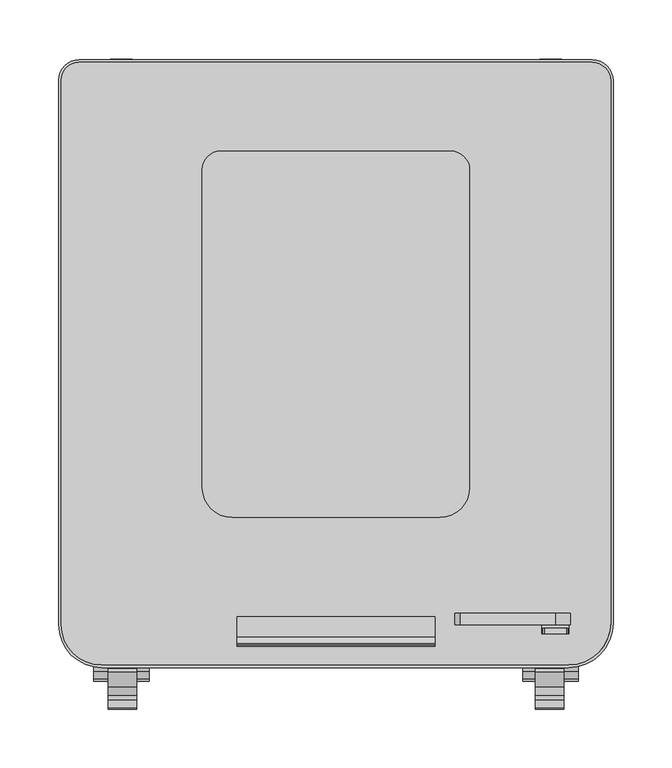
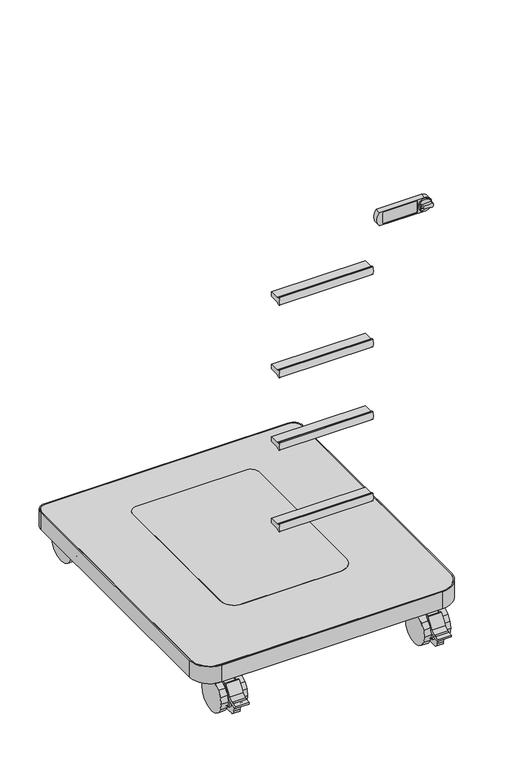
"""IFC4 building model written with IfcOpenShell, lengths in millimetres: furniture geometry."""

from ifc_helpers import new_model, si_unit, point, frame, frame_2d, origin, place, context, project, spatial, polyline, circle_curve, trimmed, segment, composite_curve, outline, extrude, source, transform, mapped, element, save
from ifc_brep_helpers import plane_surface, cylinder_surface, revolved_surface, advanced_brep


def furniture_34bcdf09(model_context):
    return source(origin(), model_context, "Body", "SolidModel", [
        advanced_brep(
        [(174.9456059, -254.5969037, 811.7000103), (175.3338382, -254.5969037, 808.7463234), (177.0907575, -254.5969037, 807.8330439), (196.2238044, -254.5969037, 807.8028949), (197.4173736, -254.5969037, 808.7463234), (197.8056059, -254.5969037, 811.7000103), (197.4173736, -254.5969037, 814.6536973), (196.2238044, -254.5969037, 815.5971258), (177.0907575, -254.5969037, 815.5669768), (175.3338382, -254.5969037, 814.6536973), (176.9629665, -254.5969037, 812.4620103), (180.2535281, -254.5969037, 812.4620103), (180.2535281, -254.5969037, 810.9380103), (176.9629665, -254.5969037, 810.9380103), (174.9456059, -246.9769037, 811.7000103), (197.8056059, -246.9769037, 811.7000103), (197.4173736, -249.149344, 808.7463234), (175.3338382, -249.149344, 808.7463234), (175.3338382, -249.149344, 814.6536973), (197.4173736, -249.149344, 814.6536973), (196.2238044, -249.149344, 815.5971258), (177.0907575, -249.149344, 815.5669768), (196.2238044, -249.149344, 807.8028949), (177.0907575, -249.149344, 807.8330439), (180.2535281, -253.3727737, 812.4620103), (176.9629665, -253.3727737, 812.4620103), (176.9629665, -253.3727737, 810.9380103), (180.2535281, -253.3727737, 810.9380103)],
        [
            (0, 1, circle_curve(frame((186.3756059, -254.5969037, 811.7000103), z_axis=(0.0, -1.0, 0.0), x_axis=(1.0, 0.0, 0.0)), 11.43)),
            (1, 2, circle_curve(frame((176.7304878, -254.5969037, 809.2865503), z_axis=(0.0, -1.0, 0.0), x_axis=(1.0, 0.0, 0.0)), 1.4974896)),
            (2, 3, circle_curve(frame((186.5968707, -254.5969037, 769.480668), z_axis=(0.0, 1.0, 0.0), x_axis=(1.0, 0.0, 0.0)), 39.512921)),
            (3, 4, circle_curve(frame((196.020724, -254.5969037, 809.2865503), z_axis=(0.0, -1.0, 0.0), x_axis=(1.0, 0.0, 0.0)), 1.4974896)),
            (4, 5, circle_curve(frame((186.3756059, -254.5969037, 811.7000103), z_axis=(0.0, -1.0, 0.0), x_axis=(1.0, 0.0, 0.0)), 11.43)),
            (5, 6, circle_curve(frame((186.3756059, -254.5969037, 811.7000103), z_axis=(0.0, -1.0, 0.0), x_axis=(1.0, 0.0, 0.0)), 11.43)),
            (6, 7, circle_curve(frame((196.020724, -254.5969037, 814.1134703), z_axis=(0.0, -1.0, 0.0), x_axis=(1.0, 0.0, 0.0)), 1.4974896)),
            (7, 8, circle_curve(frame((186.5968707, -254.5969037, 853.9193527), z_axis=(0.0, 1.0, 0.0), x_axis=(1.0, 0.0, 0.0)), 39.512921)),
            (8, 9, circle_curve(frame((176.7304878, -254.5969037, 814.1134703), z_axis=(0.0, -1.0, 0.0), x_axis=(1.0, 0.0, 0.0)), 1.4974896)),
            (9, 0, circle_curve(frame((186.3756059, -254.5969037, 811.7000103), z_axis=(0.0, -1.0, 0.0), x_axis=(1.0, 0.0, 0.0)), 11.43)),
            (10, 11),
            (11, 12, circle_curve(frame((180.2535281, -254.5969037, 811.7000103), z_axis=(0.0, 1.0, 0.0), x_axis=(-1.0, 0.0, 0.0)), 0.762)),
            (12, 13),
            (13, 10, circle_curve(frame((176.9629665, -254.5969037, 811.7000103), z_axis=(0.0, 1.0, 0.0), x_axis=(1.0, 0.0, 0.0)), 0.762)),
            (14, 15, circle_curve(frame((186.3756059, -246.9769037, 811.7000103), z_axis=(0.0, 1.0, 0.0), x_axis=(1.0, 0.0, 0.0)), 11.43)),
            (15, 14, circle_curve(frame((186.3756059, -246.9769037, 811.7000103), z_axis=(0.0, 1.0, 0.0), x_axis=(1.0, 0.0, 0.0)), 11.43)),
            (15, 5),
            (4, 16),
            (16, 17, circle_curve(frame((186.3756059, -249.149344, 811.7000103), z_axis=(0.0, 1.0, 0.0), x_axis=(1.0, 0.0, 0.0)), 11.43)),
            (17, 1),
            (0, 14),
            (9, 18),
            (18, 19, circle_curve(frame((186.3756059, -249.149344, 811.7000103), z_axis=(0.0, 1.0, 0.0), x_axis=(1.0, 0.0, 0.0)), 11.43)),
            (19, 6),
            (20, 19, circle_curve(frame((196.020724, -249.149344, 814.1134703), z_axis=(0.0, 1.0, 0.0), x_axis=(1.0, 0.0, 0.0)), 1.4974896)),
            (18, 21, circle_curve(frame((176.7304878, -249.149344, 814.1134703), z_axis=(0.0, 1.0, 0.0), x_axis=(1.0, 0.0, 0.0)), 1.4974896)),
            (21, 20, circle_curve(frame((186.5968707, -249.149344, 853.9193527), z_axis=(0.0, -1.0, 0.0), x_axis=(1.0, 0.0, 0.0)), 39.512921)),
            (22, 23, circle_curve(frame((186.5968707, -249.149344, 769.480668), z_axis=(0.0, -1.0, 0.0), x_axis=(1.0, 0.0, 0.0)), 39.512921)),
            (23, 17, circle_curve(frame((176.7304878, -249.149344, 809.2865503), z_axis=(0.0, 1.0, 0.0), x_axis=(1.0, 0.0, 0.0)), 1.4974896)),
            (16, 22, circle_curve(frame((196.020724, -249.149344, 809.2865503), z_axis=(0.0, 1.0, 0.0), x_axis=(1.0, 0.0, 0.0)), 1.4974896)),
            (20, 7),
            (8, 21),
            (22, 3),
            (2, 23),
            (24, 25),
            (25, 26, circle_curve(frame((176.9629665, -253.3727737, 811.7000103), z_axis=(0.0, -1.0, 0.0), x_axis=(1.0, 0.0, 0.0)), 0.762)),
            (26, 27),
            (27, 24, circle_curve(frame((180.2535281, -253.3727737, 811.7000103), z_axis=(0.0, -1.0, 0.0), x_axis=(-1.0, 0.0, 0.0)), 0.762)),
            (24, 11),
            (10, 25),
            (13, 26),
            (12, 27),
        ],
        [
            plane_surface(frame((197.8056059, -254.5969037, 811.7000103), z_axis=(0.0, -1.0, 0.0), x_axis=(0.0, 0.0, 1.0))),
            plane_surface(frame((197.8056059, -246.9769037, 811.7000103), z_axis=(0.0, 1.0, 0.0), x_axis=(0.0, 0.0, -1.0))),
            cylinder_surface(frame((186.3756059, -246.9769037, 811.7000103), z_axis=(0.0, -1.0, 0.0), x_axis=(1.0, 0.0, 0.0)), 11.43),
            plane_surface(frame((197.5182136, -249.149344, 814.1134703), z_axis=(0.0, -1.0, 0.0), x_axis=(0.0, 0.0, 1.0))),
            cylinder_surface(frame((196.020724, -249.149344, 814.1134703), z_axis=(0.0, 1.0, 0.0), x_axis=(1.0, 0.0, 0.0)), 1.4974896),
            cylinder_surface(frame((176.7304878, -249.149344, 814.1134703), z_axis=(0.0, 1.0, 0.0), x_axis=(1.0, 0.0, 0.0)), 1.4974896),
            revolved_surface(polyline([(226.10979170000002, -254.5969037, 853.9193527), (226.10979170000002, -249.149344, 853.9193527)]), (186.5968707, -249.149344, 853.9193527), (0.0, -1.0, 0.0)),
            revolved_surface(polyline([(226.10979170000002, -254.5969037, 769.480668), (226.10979170000002, -249.149344, 769.480668)]), (186.5968707, -237.0709037, 769.480668), (0.0, -1.0, 0.0)),
            cylinder_surface(frame((176.7304878, -237.0709037, 809.2865503), z_axis=(0.0, 1.0, 0.0), x_axis=(1.0, 0.0, 0.0)), 1.4974896),
            cylinder_surface(frame((196.020724, -237.0709037, 809.2865503), z_axis=(0.0, 1.0, 0.0), x_axis=(1.0, 0.0, 0.0)), 1.4974896),
            plane_surface(frame((101.1693092, -253.3727737, 812.4620103), z_axis=(0.0, -1.0, 0.0), x_axis=(1.0, 0.0, 0.0))),
            plane_surface(frame((180.2535281, -254.5969037, 812.4620103), z_axis=(0.0, 0.0, -1.0), x_axis=(0.0, 1.0, 0.0))),
            revolved_surface(polyline([(177.7249665, -254.5969037, 811.7000103), (177.7249665, -253.3727737, 811.7000103)]), (176.9629665, -253.3727737, 811.7000103), (0.0, -1.0, 0.0)),
            plane_surface(frame((176.9629665, -254.5969037, 810.9380103), z_axis=(0.0, 0.0, 1.0), x_axis=(0.0, 1.0, 0.0))),
            revolved_surface(polyline([(179.4915281, -254.5969037, 811.7000103), (179.4915281, -253.3727737, 811.7000103)]), (180.2535281, -253.3727737, 811.7000103), (0.0, -1.0, 0.0)),
        ],
        [
            (0, [[1, 2, 3, 4, 5, 6, 7, 8, 9, 10], [11, 12, 13, 14]]),
            (1, [[15, 16]]),
            (2, [[-16, 17, -5, 18, 19, 20, -1, 21]]),
            (2, [[-15, -21, -10, 22, 23, 24, -6, -17]]),
            (3, [[25, -23, 26, 27]]),
            (3, [[28, 29, -19, 30]]),
            (4, [[-25, 31, -7, -24]]),
            (5, [[-26, -22, -9, 32]]),
            (6, [[-27, -32, -8, -31]]),
            (7, [[-28, 33, -3, 34]]),
            (8, [[-29, -34, -2, -20]]),
            (9, [[-30, -18, -4, -33]]),
            (10, [[35, 36, 37, 38]]),
            (11, [[-35, 39, -11, 40]]),
            (12, [[-36, -40, -14, 41]]),
            (13, [[-37, -41, -13, 42]]),
            (14, [[-38, -42, -12, -39]]),
        ],
    ),
        advanced_brep(
        [(105.8185825, -246.9769037, 824.4000103), (105.8185825, -246.9769037, 799.0000103), (186.5091543, -246.9769037, 799.0000103), (186.5091543, -246.9769037, 824.4000103), (171.2149809, -246.9769037, 800.2700103), (114.5994284, -246.9769037, 800.2700103), (112.0594284, -246.9769037, 802.8100103), (112.0594284, -246.9769037, 820.5900103), (114.5994284, -246.9769037, 823.1300103), (171.2149809, -246.9769037, 823.1300103), (173.7549809, -246.9769037, 820.5900103), (173.7549809, -246.9769037, 802.8100103), (105.8185825, -237.0709037, 824.4000103), (186.5091543, -237.0709037, 824.4000103), (186.5091543, -237.0709037, 799.0000103), (105.8185825, -237.0709037, 799.0000103), (112.0594284, -245.4701199, 802.8100103), (114.5994284, -245.4701199, 800.2700103), (171.2149809, -245.4701199, 800.2700103), (173.7549809, -245.4701199, 802.8100103), (173.7549809, -245.4701199, 820.5900103), (171.2149809, -245.4701199, 823.1300103), (114.5994284, -245.4701199, 823.1300103), (112.0594284, -245.4701199, 820.5900103)],
        [
            (0, 1, circle_curve(frame((120.8396674, -246.9769037, 811.7000103), z_axis=(0.0, -1.0, 0.0), x_axis=(1.0, 0.0, 0.0)), 19.6703582)),
            (1, 2),
            (2, 3, circle_curve(frame((186.5091543, -246.9769037, 811.7000103), z_axis=(0.0, -1.0, 0.0), x_axis=(1.0, 0.0, 0.0)), 12.7)),
            (3, 0),
            (4, 5),
            (5, 6, circle_curve(frame((114.5994284, -246.9769037, 802.8100103), z_axis=(0.0, 1.0, 0.0), x_axis=(1.0, 0.0, 0.0)), 2.54)),
            (6, 7),
            (7, 8, circle_curve(frame((114.5994284, -246.9769037, 820.5900103), z_axis=(0.0, 1.0, 0.0), x_axis=(1.0, 0.0, 0.0)), 2.54)),
            (8, 9),
            (9, 10, circle_curve(frame((171.2149809, -246.9769037, 820.5900103), z_axis=(0.0, 1.0, 0.0), x_axis=(1.0, 0.0, 0.0)), 2.54)),
            (10, 11),
            (11, 4, circle_curve(frame((171.2149809, -246.9769037, 802.8100103), z_axis=(0.0, 1.0, 0.0), x_axis=(1.0, 0.0, 0.0)), 2.54)),
            (12, 13),
            (13, 14, circle_curve(frame((186.5091543, -237.0709037, 811.7000103), z_axis=(0.0, 1.0, 0.0), x_axis=(1.0, 0.0, 0.0)), 12.7)),
            (14, 15),
            (15, 12, circle_curve(frame((120.8396674, -237.0709037, 811.7000103), z_axis=(0.0, 1.0, 0.0), x_axis=(1.0, 0.0, 0.0)), 19.6703582)),
            (1, 15),
            (14, 2),
            (3, 13),
            (12, 0),
            (16, 17, circle_curve(frame((114.5994284, -245.4701199, 802.8100103), z_axis=(0.0, -1.0, 0.0), x_axis=(1.0, 0.0, 0.0)), 2.54)),
            (17, 18),
            (18, 19, circle_curve(frame((171.2149809, -245.4701199, 802.8100103), z_axis=(0.0, -1.0, 0.0), x_axis=(1.0, 0.0, 0.0)), 2.54)),
            (19, 20),
            (20, 21, circle_curve(frame((171.2149809, -245.4701199, 820.5900103), z_axis=(0.0, -1.0, 0.0), x_axis=(1.0, 0.0, 0.0)), 2.54)),
            (21, 22),
            (22, 23, circle_curve(frame((114.5994284, -245.4701199, 820.5900103), z_axis=(0.0, -1.0, 0.0), x_axis=(1.0, 0.0, 0.0)), 2.54)),
            (23, 16),
            (17, 5),
            (4, 18),
            (19, 11),
            (10, 20),
            (21, 9),
            (8, 22),
            (23, 7),
            (6, 16),
        ],
        [
            plane_surface(frame((140.5100256, -246.9769037, 811.7000103), z_axis=(0.0, -1.0, 0.0), x_axis=(0.0, 0.0, 1.0))),
            plane_surface(frame((140.5100256, -237.0709037, 811.7000103), z_axis=(0.0, 1.0, 0.0), x_axis=(0.0, 0.0, -1.0))),
            plane_surface(frame((105.8185825, -246.9769037, 799.0000103), z_axis=(0.0, 0.0, -1.0), x_axis=(0.0, 1.0, 0.0))),
            plane_surface(frame((186.5091543, -246.9769037, 824.4000103), z_axis=(-2.7896816115999427e-12, 0.0, 1.0), x_axis=(0.0, 1.0, 0.0))),
            plane_surface(frame((117.1394284, -245.4701199, 802.8100103), z_axis=(0.0, -1.0, 0.0), x_axis=(0.0, 0.0, -1.0))),
            cylinder_surface(frame((186.5091543, -237.0709037, 811.7000103), z_axis=(0.0, -1.0, 0.0), x_axis=(1.0, 0.0, 0.0)), 12.7),
            plane_surface(frame((114.5994284, -253.3727737, 800.2700103), z_axis=(3.053095094007366e-12, 0.0, 1.0), x_axis=(0.0, 1.0, 0.0))),
            plane_surface(frame((173.7549809, -253.3727737, 802.8100103), z_axis=(-1.0, 0.0, 0.0), x_axis=(0.0, 1.0, 0.0))),
            plane_surface(frame((171.2149809, -253.3727737, 823.1300103), z_axis=(0.0, 0.0, -1.0), x_axis=(0.0, 1.0, 0.0))),
            plane_surface(frame((112.0594284, -253.3727737, 820.5900103), z_axis=(1.0, 0.0, 0.0), x_axis=(0.0, 1.0, 0.0))),
            revolved_surface(polyline([(117.1394284, -246.9769037, 802.8100103), (117.1394284, -245.4701199, 802.8100103)]), (114.5994284, -245.4701199, 802.8100103), (0.0, -1.0, 0.0)),
            revolved_surface(polyline([(173.7549809, -246.9769037, 802.8100103), (173.7549809, -245.4701199, 802.8100103)]), (171.2149809, -245.4701199, 802.8100103), (0.0, -1.0, 0.0)),
            revolved_surface(polyline([(173.7549809, -246.9769037, 820.5900103), (173.7549809, -245.4701199, 820.5900103)]), (171.2149809, -245.4701199, 820.5900103), (0.0, -1.0, 0.0)),
            revolved_surface(polyline([(117.1394284, -246.9769037, 820.5900103), (117.1394284, -245.4701199, 820.5900103)]), (114.5994284, -245.4701199, 820.5900103), (0.0, -1.0, 0.0)),
            cylinder_surface(frame((120.8396674, -237.0709037, 811.7000103), z_axis=(0.0, -1.0, 0.0), x_axis=(1.0, 0.0, 0.0)), 19.6703582),
        ],
        [
            (0, [[1, 2, 3, 4], [5, 6, 7, 8, 9, 10, 11, 12]]),
            (1, [[13, 14, 15, 16]]),
            (2, [[-2, 17, -15, 18]]),
            (3, [[-4, 19, -13, 20]]),
            (4, [[21, 22, 23, 24, 25, 26, 27, 28]]),
            (5, [[-3, -18, -14, -19]]),
            (6, [[-22, 29, -5, 30]]),
            (7, [[-24, 31, -11, 32]]),
            (8, [[-26, 33, -9, 34]]),
            (9, [[-28, 35, -7, 36]]),
            (10, [[-21, -36, -6, -29]]),
            (11, [[-23, -30, -12, -31]]),
            (12, [[-25, -32, -10, -33]]),
            (13, [[-27, -34, -8, -35]]),
            (14, [[-1, -20, -16, -17]]),
        ],
    ),
        extrude(outline(composite_curve([segment(polyline([(-257.1982097, 736.1879127), (-240.1982097, 736.1879127), (-240.1982097, 728.1879127), (-257.1982097, 728.1879127)]), True, "CONTINUOUS"), segment(trimmed(circle_curve(frame_2d((-266.4641782, 737.2010554)), 12.9265198), [point((-257.1982097, 728.1879127))], [point((-262.3272811, 724.9543825))], False, "CARTESIAN"), True, "CONTINUOUS"), segment(trimmed(circle_curve(frame_2d((-262.7255981, 725.7809626)), 0.9175462), [point((-262.3272811, 724.9543825))], [point((-263.5746954, 725.43322))], False, "CARTESIAN"), True, "CONTINUOUS"), segment(trimmed(circle_curve(frame_2d((-250.5394792, 732.1879127)), 14.6813738), [point((-263.5746954, 725.43322))], [point((-263.5746954, 738.9426054))], False, "CARTESIAN"), True, "CONTINUOUS"), segment(trimmed(circle_curve(frame_2d((-262.7255981, 738.5948628)), 0.9175462), [point((-263.5746954, 738.9426054))], [point((-262.3272811, 739.4214429))], False, "CARTESIAN"), True, "CONTINUOUS"), segment(trimmed(circle_curve(frame_2d((-266.4641782, 727.17477)), 12.9265198), [point((-262.3272811, 739.4214429))], [point((-257.1982097, 736.1879127))], False, "CARTESIAN"), True, "CONTINUOUS")], self_intersect=False)), frame((-83.9857012, 0.0, 0.0), z_axis=(1.0, 0.0, 0.0), x_axis=(0.0, 1.0, 0.0)), (0.0, 0.0, 1.0), 167.9956),
        extrude(outline(composite_curve([segment(polyline([(-257.1982097, 598.6469258), (-240.1982097, 598.6469258), (-240.1982097, 590.6469258), (-257.1982097, 590.6469258)]), True, "CONTINUOUS"), segment(trimmed(circle_curve(frame_2d((-266.4641782, 599.6600685)), 12.9265198), [point((-257.1982097, 590.6469258))], [point((-262.3272811, 587.4133956))], False, "CARTESIAN"), True, "CONTINUOUS"), segment(trimmed(circle_curve(frame_2d((-262.7255981, 588.2399757)), 0.9175462), [point((-262.3272811, 587.4133956))], [point((-263.5746954, 587.8922331))], False, "CARTESIAN"), True, "CONTINUOUS"), segment(trimmed(circle_curve(frame_2d((-250.5394792, 594.6469258)), 14.6813738), [point((-263.5746954, 587.8922331))], [point((-263.5746954, 601.4016184))], False, "CARTESIAN"), True, "CONTINUOUS"), segment(trimmed(circle_curve(frame_2d((-262.7255981, 601.0538759)), 0.9175462), [point((-263.5746954, 601.4016184))], [point((-262.3272811, 601.8804559))], False, "CARTESIAN"), True, "CONTINUOUS"), segment(trimmed(circle_curve(frame_2d((-266.4641782, 589.6337831)), 12.9265198), [point((-262.3272811, 601.8804559))], [point((-257.1982097, 598.6469258))], False, "CARTESIAN"), True, "CONTINUOUS")], self_intersect=False)), frame((-83.9857012, 0.0, 0.0), z_axis=(1.0, 0.0, 0.0), x_axis=(0.0, 1.0, 0.0)), (0.0, 0.0, 1.0), 167.9956),
        extrude(outline(composite_curve([segment(polyline([(-257.1982097, 461.131337), (-240.1982097, 461.131337), (-240.1982097, 453.131337), (-257.1982097, 453.131337)]), True, "CONTINUOUS"), segment(trimmed(circle_curve(frame_2d((-266.4641782, 462.1444797)), 12.9265198), [point((-257.1982097, 453.131337))], [point((-262.3272811, 449.8978069))], False, "CARTESIAN"), True, "CONTINUOUS"), segment(trimmed(circle_curve(frame_2d((-262.7255981, 450.7243869)), 0.9175462), [point((-262.3272811, 449.8978069))], [point((-263.5746954, 450.3766444))], False, "CARTESIAN"), True, "CONTINUOUS"), segment(trimmed(circle_curve(frame_2d((-250.5394792, 457.131337)), 14.6813738), [point((-263.5746954, 450.3766444))], [point((-263.5746954, 463.8860297))], False, "CARTESIAN"), True, "CONTINUOUS"), segment(trimmed(circle_curve(frame_2d((-262.7255981, 463.5382871)), 0.9175462), [point((-263.5746954, 463.8860297))], [point((-262.3272811, 464.3648672))], False, "CARTESIAN"), True, "CONTINUOUS"), segment(trimmed(circle_curve(frame_2d((-266.4641782, 452.1181943)), 12.9265198), [point((-262.3272811, 464.3648672))], [point((-257.1982097, 461.131337))], False, "CARTESIAN"), True, "CONTINUOUS")], self_intersect=False)), frame((-83.9857012, 0.0, 0.0), z_axis=(1.0, 0.0, 0.0), x_axis=(0.0, 1.0, 0.0)), (0.0, 0.0, 1.0), 167.9956),
        extrude(outline(composite_curve([segment(polyline([(-257.1982097, 306.64847), (-240.1982097, 306.64847), (-240.1982097, 298.64847), (-257.1982097, 298.64847)]), True, "CONTINUOUS"), segment(trimmed(circle_curve(frame_2d((-266.4641782, 307.6616126)), 12.9265198), [point((-257.1982097, 298.64847))], [point((-262.3272811, 295.4149398))], False, "CARTESIAN"), True, "CONTINUOUS"), segment(trimmed(circle_curve(frame_2d((-262.7255981, 296.2415199)), 0.9175462), [point((-262.3272811, 295.4149398))], [point((-263.5746954, 295.8937773))], False, "CARTESIAN"), True, "CONTINUOUS"), segment(trimmed(circle_curve(frame_2d((-250.5394792, 302.64847)), 14.6813738), [point((-263.5746954, 295.8937773))], [point((-263.5746954, 309.4031626))], False, "CARTESIAN"), True, "CONTINUOUS"), segment(trimmed(circle_curve(frame_2d((-262.7255981, 309.0554201)), 0.9175462), [point((-263.5746954, 309.4031626))], [point((-262.3272811, 309.8820001))], False, "CARTESIAN"), True, "CONTINUOUS"), segment(trimmed(circle_curve(frame_2d((-266.4641782, 297.6353273)), 12.9265198), [point((-262.3272811, 309.8820001))], [point((-257.1982097, 306.64847))], False, "CARTESIAN"), True, "CONTINUOUS")], self_intersect=False)), frame((-83.9857012, 0.0, 0.0), z_axis=(1.0, 0.0, 0.0), x_axis=(0.0, 1.0, 0.0)), (0.0, 0.0, 1.0), 167.9956),
        extrude(outline(polyline([(-179.0994786, 219.6339896), (-180.6568326, 218.5933918), (-182.493839, 218.227989), (-184.3308635, 218.5933918), (-185.8882175, 219.6339896), (-186.9287972, 221.1913255), (-187.2942, 223.02835), (-186.9287972, 224.8653745), (-185.8882008, 226.422724), (-184.3308476, 227.4633148), (-182.4938432, 227.8287134), (-180.6568145, 227.4633082), (-179.099465, 226.4227118), (-178.058887, 224.8653715), (-177.6934885, 223.0283414), (-178.0588808, 221.1913255), (-179.0994786, 219.6339896)])), frame((0.0, 0.0, 64.4644836), z_axis=(0.0, 0.0, 1.0), x_axis=(1.0, 0.0, 0.0)), (0.0, 0.0, 1.0), 18.4394813),
        extrude(outline(polyline([(-179.5331367, 215.4912374), (-182.5867294, 214.8838435), (-185.6403221, 215.4912374), (-188.2290267, 217.2209647), (-189.9587358, 219.8096693), (-190.5661479, 222.8632438), (-189.9587358, 225.9168365), (-188.2290267, 228.5055411), (-185.6403221, 230.2352684), (-182.5867294, 230.8426623), (-179.5331367, 230.2352684), (-176.9444321, 228.5055411), (-175.214723, 225.9168365), (-174.6073109, 222.8632438), (-175.214723, 219.8096693), (-176.9444321, 217.2209647), (-179.5331367, 215.4912374)])), frame((0.0, 0.0, 42.749396), z_axis=(0.0, 0.0, 1.0), x_axis=(1.0, 0.0, 0.0)), (0.0, 0.0, 1.0), 21.7150876),
        extrude(outline(polyline([(231.0669235, 17.6956967), (176.8415253, 20.1710389), (173.7398433, 19.5510005), (172.2845905, 29.9669209), (174.5643932, 41.4282898), (181.166988, 51.5050866), (191.2307996, 58.3368189), (203.0283535, 60.6446177), (214.8543395, 58.3376546), (224.7952116, 51.6771827), (231.3835631, 41.6915095), (233.7329976, 30.0477231), (231.0669235, 17.6956967)])), frame((-191.9948397, 0.0, 0.0), z_axis=(1.0, 0.0, 0.0), x_axis=(0.0, 1.0, 0.0)), (0.0, 0.0, 1.0), 18.61527),
        extrude(outline(composite_curve([segment(polyline([(165.4137527, 15.3668888), (161.2879325, 29.389165), (160.8738953, 30.311933), (159.6567821, 31.3792302), (158.5488192, 31.6764368)]), True, "CONTINUOUS"), segment(trimmed(circle_curve(frame_2d((152.3525742, 65.2351803)), 34.125983), [point((158.5488192, 31.6764368))], [point((164.1098282, 33.1984873))], True, "CARTESIAN"), True, "CONTINUOUS"), segment(trimmed(circle_curve(frame_2d((159.3787246, 46.0900108)), 13.7322511), [point((164.1098282, 33.1984873))], [point((171.9941479, 40.6654544))], True, "CARTESIAN"), True, "CONTINUOUS"), segment(polyline([(171.9941479, 40.6654544), (170.8091849, 36.053247), (170.2344431, 31.7921728), (169.4784028, 30.0308182), (170.9047692, 20.6240886), (176.089609, 18.2169715), (179.2383449, 19.3801216), (188.5056208, 11.9747256), (187.7807559, 7.9109196), (180.0693261, 8.7502409), (171.2554201, 8.5984367), (170.2635475, 7.9968825), (165.8474834, 11.0963521), (165.4137527, 15.3668888)]), True, "CONTINUOUS")], self_intersect=False)), frame((-188.6020166, 0.0, 0.0), z_axis=(1.0, 0.0, 0.0), x_axis=(0.0, 1.0, 0.0)), (0.0, 0.0, 1.0), 12.1089134),
        extrude(outline(composite_curve([segment(trimmed(circle_curve(frame_2d((209.194744, 25.2798481)), 44.5006169), [point((168.076378, 42.2970418))], [point((181.2293533, 59.8954779))], False, "CARTESIAN"), True, "CONTINUOUS"), segment(trimmed(circle_curve(frame_2d((181.2293533, 57.3575877)), 2.5378903), [point((181.2293533, 59.8954779))], [point((183.7672435, 57.3575877))], False, "CARTESIAN"), True, "CONTINUOUS"), segment(trimmed(circle_curve(frame_2d((204.4798136, 30.3479474)), 34.0372036), [point((183.7672435, 57.3575877))], [point((172.3439025, 41.5646511))], True, "CARTESIAN"), True, "CONTINUOUS"), segment(trimmed(circle_curve(frame_2d((159.3787246, 46.0900108)), 13.7322511), [point((172.3439025, 41.5646511))], [point((164.1098282, 33.1984873))], False, "CARTESIAN"), True, "CONTINUOUS"), segment(trimmed(circle_curve(frame_2d((152.3525742, 65.2351803)), 34.125983), [point((164.1098282, 33.1984873))], [point((151.3259993, 31.1246414))], False, "CARTESIAN"), True, "CONTINUOUS"), segment(trimmed(circle_curve(frame_2d((151.7887278, 33.2391324)), 2.1645299), [point((151.3259993, 31.1246414))], [point((150.5701461, 35.0280563))], False, "CARTESIAN"), True, "CONTINUOUS"), segment(polyline([(150.5701461, 35.0280563), (157.4525006, 36.0478169), (161.3842622, 36.8186566)]), True, "CONTINUOUS"), segment(trimmed(circle_curve(frame_2d((159.6244174, 45.7949593)), 9.1471889), [point((161.3842622, 36.8186566))], [point((168.076378, 42.2970418))], True, "CARTESIAN"), True, "CONTINUOUS")], self_intersect=False)), frame((-193.7606684, 0.0, 0.0), z_axis=(1.0, 0.0, 0.0), x_axis=(0.0, 1.0, 0.0)), (0.0, 0.0, 1.0), 24.2623725),
        extrude(outline(polyline([(191.5804694, 2.2810114), (181.8597692, 8.7761847), (175.3645806, 18.4968985), (173.0837787, 29.9632624), (175.3645806, 41.4296251), (181.8597692, 51.150339), (191.5804694, 57.6455139), (203.046848, 59.9263158), (214.5132084, 57.6455139), (224.2339269, 51.150339), (230.7290973, 41.4296251), (233.0098992, 29.9632624), (230.7290973, 18.4968985), (224.2339269, 8.7761847), (214.5132084, 2.2810114), (203.046848, 0.0002098), (191.5804694, 2.2810114)])), frame((-171.1196031, 0.0, 0.0), z_axis=(1.0, 0.0, 0.0), x_axis=(0.0, 1.0, 0.0)), (0.0, 0.0, 1.0), 12.4101684),
        extrude(outline(polyline([(191.5804694, 2.2810114), (181.8597692, 8.7761847), (175.3645806, 18.4968985), (173.0837787, 29.9632624), (175.3645806, 41.4296251), (181.8597692, 51.150339), (191.5804694, 57.6455139), (203.046848, 59.9263158), (214.5132084, 57.6455139), (224.2339269, 51.150339), (230.7290973, 41.4296251), (233.0098992, 29.9632624), (230.7290973, 18.4968985), (224.2339269, 8.7761847), (214.5132084, 2.2810114), (203.046848, 0.0002098), (191.5804694, 2.2810114)])), frame((-206.088568, 0.0, 0.0), z_axis=(1.0, 0.0, 0.0), x_axis=(0.0, 1.0, 0.0)), (0.0, 0.0, 1.0), 12.3278995),
        extrude(outline(polyline([(179.0994786, 219.6339896), (178.0588808, 221.1913255), (177.6934885, 223.0283414), (178.058887, 224.8653715), (179.099465, 226.4227118), (180.6568145, 227.4633082), (182.4938432, 227.8287134), (184.3308476, 227.4633148), (185.8882008, 226.422724), (186.9287972, 224.8653745), (187.2942, 223.02835), (186.9287972, 221.1913255), (185.8882175, 219.6339896), (184.3308635, 218.5933918), (182.493839, 218.227989), (180.6568326, 218.5933918), (179.0994786, 219.6339896)])), frame((0.0, 0.0, 64.4644836), z_axis=(0.0, 0.0, 1.0), x_axis=(1.0, 0.0, 0.0)), (0.0, 0.0, 1.0), 18.4394813),
        extrude(outline(polyline([(179.5331367, 215.4912374), (176.9444321, 217.2209647), (175.214723, 219.8096693), (174.6073109, 222.8632438), (175.214723, 225.9168365), (176.9444321, 228.5055411), (179.5331367, 230.2352684), (182.5867294, 230.8426623), (185.6403221, 230.2352684), (188.2290267, 228.5055411), (189.9587358, 225.9168365), (190.5661479, 222.8632438), (189.9587358, 219.8096693), (188.2290267, 217.2209647), (185.6403221, 215.4912374), (182.5867294, 214.8838435), (179.5331367, 215.4912374)])), frame((0.0, 0.0, 42.749396), z_axis=(0.0, 0.0, 1.0), x_axis=(1.0, 0.0, 0.0)), (0.0, 0.0, 1.0), 21.7150876),
        extrude(outline(polyline([(231.0669235, 17.6956967), (176.8415253, 20.1710389), (173.7398433, 19.5510005), (172.2845905, 29.9669209), (174.5643932, 41.4282898), (181.166988, 51.5050866), (191.2307996, 58.3368189), (203.0283535, 60.6446177), (214.8543395, 58.3376546), (224.7952116, 51.6771827), (231.3835631, 41.6915095), (233.7329976, 30.0477231), (231.0669235, 17.6956967)])), frame((173.3795697, 0.0, 0.0), z_axis=(1.0, 0.0, 0.0), x_axis=(0.0, 1.0, 0.0)), (0.0, 0.0, 1.0), 18.61527),
        extrude(outline(composite_curve([segment(polyline([(165.4137527, 15.3668888), (161.2879325, 29.389165), (160.8738953, 30.311933), (159.6567821, 31.3792302), (158.5488192, 31.6764368)]), True, "CONTINUOUS"), segment(trimmed(circle_curve(frame_2d((152.3525742, 65.2351803)), 34.125983), [point((158.5488192, 31.6764368))], [point((164.1098282, 33.1984873))], True, "CARTESIAN"), True, "CONTINUOUS"), segment(trimmed(circle_curve(frame_2d((159.3787246, 46.0900108)), 13.7322511), [point((164.1098282, 33.1984873))], [point((171.9941479, 40.6654544))], True, "CARTESIAN"), True, "CONTINUOUS"), segment(polyline([(171.9941479, 40.6654544), (170.8091849, 36.053247), (170.2344431, 31.7921728), (169.4784028, 30.0308182), (170.9047692, 20.6240886), (176.089609, 18.2169715), (179.2383449, 19.3801216), (188.5056208, 11.9747256), (187.7807559, 7.9109196), (180.0693261, 8.7502409), (171.2554201, 8.5984367), (170.2635475, 7.9968825), (165.8474834, 11.0963521), (165.4137527, 15.3668888)]), True, "CONTINUOUS")], self_intersect=False)), frame((176.4931031, 0.0, 0.0), z_axis=(1.0, 0.0, 0.0), x_axis=(0.0, 1.0, 0.0)), (0.0, 0.0, 1.0), 12.1089134),
        extrude(outline(composite_curve([segment(trimmed(circle_curve(frame_2d((209.194744, 25.2798481)), 44.5006169), [point((168.076378, 42.2970418))], [point((181.2293533, 59.8954779))], False, "CARTESIAN"), True, "CONTINUOUS"), segment(trimmed(circle_curve(frame_2d((181.2293533, 57.3575877)), 2.5378903), [point((181.2293533, 59.8954779))], [point((183.7672435, 57.3575877))], False, "CARTESIAN"), True, "CONTINUOUS"), segment(trimmed(circle_curve(frame_2d((204.4798136, 30.3479474)), 34.0372036), [point((183.7672435, 57.3575877))], [point((172.3439025, 41.5646511))], True, "CARTESIAN"), True, "CONTINUOUS"), segment(trimmed(circle_curve(frame_2d((159.3787246, 46.0900108)), 13.7322511), [point((172.3439025, 41.5646511))], [point((164.1098282, 33.1984873))], False, "CARTESIAN"), True, "CONTINUOUS"), segment(trimmed(circle_curve(frame_2d((152.3525742, 65.2351803)), 34.125983), [point((164.1098282, 33.1984873))], [point((151.3259993, 31.1246414))], False, "CARTESIAN"), True, "CONTINUOUS"), segment(trimmed(circle_curve(frame_2d((151.7887278, 33.2391324)), 2.1645299), [point((151.3259993, 31.1246414))], [point((150.5701461, 35.0280563))], False, "CARTESIAN"), True, "CONTINUOUS"), segment(polyline([(150.5701461, 35.0280563), (157.4525006, 36.0478169), (161.3842622, 36.8186566)]), True, "CONTINUOUS"), segment(trimmed(circle_curve(frame_2d((159.6244174, 45.7949593)), 9.1471889), [point((161.3842622, 36.8186566))], [point((168.076378, 42.2970418))], True, "CARTESIAN"), True, "CONTINUOUS")], self_intersect=False)), frame((169.4982959, 0.0, 0.0), z_axis=(1.0, 0.0, 0.0), x_axis=(0.0, 1.0, 0.0)), (0.0, 0.0, 1.0), 24.2623725),
        extrude(outline(polyline([(191.5804694, 2.2810114), (181.8597692, 8.7761847), (175.3645806, 18.4968985), (173.0837787, 29.9632624), (175.3645806, 41.4296251), (181.8597692, 51.150339), (191.5804694, 57.6455139), (203.046848, 59.9263158), (214.5132084, 57.6455139), (224.2339269, 51.150339), (230.7290973, 41.4296251), (233.0098992, 29.9632624), (230.7290973, 18.4968985), (224.2339269, 8.7761847), (214.5132084, 2.2810114), (203.046848, 0.0002098), (191.5804694, 2.2810114)])), frame((158.7094347, 0.0, 0.0), z_axis=(1.0, 0.0, 0.0), x_axis=(0.0, 1.0, 0.0)), (0.0, 0.0, 1.0), 12.4101684),
        extrude(outline(polyline([(191.5804694, 2.2810114), (181.8597692, 8.7761847), (175.3645806, 18.4968985), (173.0837787, 29.9632624), (175.3645806, 41.4296251), (181.8597692, 51.150339), (191.5804694, 57.6455139), (203.046848, 59.9263158), (214.5132084, 57.6455139), (224.2339269, 51.150339), (230.7290973, 41.4296251), (233.0098992, 29.9632624), (230.7290973, 18.4968985), (224.2339269, 8.7761847), (214.5132084, 2.2810114), (203.046848, 0.0002098), (191.5804694, 2.2810114)])), frame((193.7606684, 0.0, 0.0), z_axis=(1.0, 0.0, 0.0), x_axis=(0.0, 1.0, 0.0)), (0.0, 0.0, 1.0), 12.3278995),
        extrude(outline(polyline([(179.0994786, -248.2925117), (178.0588808, -246.7351758), (177.6934885, -244.8981599), (178.058887, -243.0611298), (179.099465, -241.5037895), (180.6568145, -240.463193), (182.4938432, -240.0977879), (184.3308476, -240.4631865), (185.8882008, -241.5037773), (186.9287972, -243.0611268), (187.2942, -244.8981513), (186.9287972, -246.7351758), (185.8882175, -248.2925117), (184.3308635, -249.3331095), (182.493839, -249.6985123), (180.6568326, -249.3331095), (179.0994786, -248.2925117)])), frame((0.0, 0.0, 64.4644836), z_axis=(0.0, 0.0, 1.0), x_axis=(1.0, 0.0, 0.0)), (0.0, 0.0, 1.0), 18.4394813),
        extrude(outline(polyline([(179.5331367, -252.4352639), (176.9444321, -250.7055366), (175.214723, -248.116832), (174.6073109, -245.0632575), (175.214723, -242.0096648), (176.9444321, -239.4209601), (179.5331367, -237.6912329), (182.5867294, -237.083839), (185.6403221, -237.6912329), (188.2290267, -239.4209601), (189.9587358, -242.0096648), (190.5661479, -245.0632575), (189.9587358, -248.116832), (188.2290267, -250.7055366), (185.6403221, -252.4352639), (182.5867294, -253.0426578), (179.5331367, -252.4352639)])), frame((0.0, 0.0, 42.749396), z_axis=(0.0, 0.0, 1.0), x_axis=(1.0, 0.0, 0.0)), (0.0, 0.0, 1.0), 21.7150876),
        extrude(outline(polyline([(-236.8595778, 17.6956967), (-291.084976, 20.1710389), (-294.186658, 19.5510005), (-295.6419107, 29.9669209), (-293.362108, 41.4282898), (-286.7595132, 51.5050866), (-276.6957016, 58.3368189), (-264.8981478, 60.6446177), (-253.0721618, 58.3376546), (-243.1312896, 51.6771827), (-236.5429381, 41.6915095), (-234.1935037, 30.0477231), (-236.8595778, 17.6956967)])), frame((173.3795697, 0.0, 0.0), z_axis=(1.0, 0.0, 0.0), x_axis=(0.0, 1.0, 0.0)), (0.0, 0.0, 1.0), 18.61527),
        extrude(outline(composite_curve([segment(polyline([(-302.5127486, 15.3668888), (-306.6385687, 29.389165), (-307.052606, 30.311933), (-308.2697192, 31.3792302), (-309.3776821, 31.6764368)]), True, "CONTINUOUS"), segment(trimmed(circle_curve(frame_2d((-315.573927, 65.2351803)), 34.125983), [point((-309.3776821, 31.6764368))], [point((-303.816673, 33.1984873))], True, "CARTESIAN"), True, "CONTINUOUS"), segment(trimmed(circle_curve(frame_2d((-308.5477767, 46.0900108)), 13.7322511), [point((-303.816673, 33.1984873))], [point((-295.9323533, 40.6654544))], True, "CARTESIAN"), True, "CONTINUOUS"), segment(polyline([(-295.9323533, 40.6654544), (-297.1173164, 36.053247), (-297.6920581, 31.7921728), (-298.4480985, 30.0308182), (-297.021732, 20.6240886), (-291.8368923, 18.2169715), (-288.6881564, 19.3801216), (-279.4208805, 11.9747256), (-280.1457454, 7.9109196), (-287.8571752, 8.7502409), (-296.6710812, 8.5984367), (-297.6629538, 7.9968825), (-302.0790178, 11.0963521), (-302.5127486, 15.3668888)]), True, "CONTINUOUS")], self_intersect=False)), frame((176.4931031, 0.0, 0.0), z_axis=(1.0, 0.0, 0.0), x_axis=(0.0, 1.0, 0.0)), (0.0, 0.0, 1.0), 12.1089134),
        extrude(outline(composite_curve([segment(trimmed(circle_curve(frame_2d((-258.7317573, 25.2798481)), 44.5006169), [point((-299.8501233, 42.2970418))], [point((-286.697148, 59.8954779))], False, "CARTESIAN"), True, "CONTINUOUS"), segment(trimmed(circle_curve(frame_2d((-286.697148, 57.3575877)), 2.5378903), [point((-286.697148, 59.8954779))], [point((-284.1592577, 57.3575877))], False, "CARTESIAN"), True, "CONTINUOUS"), segment(trimmed(circle_curve(frame_2d((-263.4466876, 30.3479474)), 34.0372036), [point((-284.1592577, 57.3575877))], [point((-295.5825988, 41.5646511))], True, "CARTESIAN"), True, "CONTINUOUS"), segment(trimmed(circle_curve(frame_2d((-308.5477767, 46.0900108)), 13.7322511), [point((-295.5825988, 41.5646511))], [point((-303.816673, 33.1984873))], False, "CARTESIAN"), True, "CONTINUOUS"), segment(trimmed(circle_curve(frame_2d((-315.573927, 65.2351803)), 34.125983), [point((-303.816673, 33.1984873))], [point((-316.600502, 31.1246414))], False, "CARTESIAN"), True, "CONTINUOUS"), segment(trimmed(circle_curve(frame_2d((-316.1377734, 33.2391324)), 2.1645299), [point((-316.600502, 31.1246414))], [point((-317.3563551, 35.0280563))], False, "CARTESIAN"), True, "CONTINUOUS"), segment(polyline([(-317.3563551, 35.0280563), (-310.4740007, 36.0478169), (-306.542239, 36.8186566)]), True, "CONTINUOUS"), segment(trimmed(circle_curve(frame_2d((-308.3020839, 45.7949593)), 9.1471889), [point((-306.542239, 36.8186566))], [point((-299.8501233, 42.2970418))], True, "CARTESIAN"), True, "CONTINUOUS")], self_intersect=False)), frame((169.4982959, 0.0, 0.0), z_axis=(1.0, 0.0, 0.0), x_axis=(0.0, 1.0, 0.0)), (0.0, 0.0, 1.0), 24.2623725),
        extrude(outline(polyline([(-276.3460319, 2.2810114), (-286.0667321, 8.7761847), (-292.5619207, 18.4968985), (-294.8427226, 29.9632624), (-292.5619207, 41.4296251), (-286.0667321, 51.150339), (-276.3460319, 57.6455139), (-264.8796533, 59.9263158), (-253.4132928, 57.6455139), (-243.6925744, 51.150339), (-237.197404, 41.4296251), (-234.9166021, 29.9632624), (-237.197404, 18.4968985), (-243.6925744, 8.7761847), (-253.4132928, 2.2810114), (-264.8796533, 0.0002098), (-276.3460319, 2.2810114)])), frame((158.7094347, 0.0, 0.0), z_axis=(1.0, 0.0, 0.0), x_axis=(0.0, 1.0, 0.0)), (0.0, 0.0, 1.0), 12.4101684),
        extrude(outline(polyline([(-276.3460319, 2.2810114), (-286.0667321, 8.7761847), (-292.5619207, 18.4968985), (-294.8427226, 29.9632624), (-292.5619207, 41.4296251), (-286.0667321, 51.150339), (-276.3460319, 57.6455139), (-264.8796533, 59.9263158), (-253.4132928, 57.6455139), (-243.6925744, 51.150339), (-237.197404, 41.4296251), (-234.9166021, 29.9632624), (-237.197404, 18.4968985), (-243.6925744, 8.7761847), (-253.4132928, 2.2810114), (-264.8796533, 0.0002098), (-276.3460319, 2.2810114)])), frame((193.7606684, 0.0, 0.0), z_axis=(1.0, 0.0, 0.0), x_axis=(0.0, 1.0, 0.0)), (0.0, 0.0, 1.0), 12.3278995),
        extrude(outline(polyline([(-179.0994786, -248.2925117), (-180.6568326, -249.3331095), (-182.493839, -249.6985123), (-184.3308635, -249.3331095), (-185.8882175, -248.2925117), (-186.9287972, -246.7351758), (-187.2942, -244.8981513), (-186.9287972, -243.0611268), (-185.8882008, -241.5037773), (-184.3308476, -240.4631865), (-182.4938432, -240.0977879), (-180.6568145, -240.463193), (-179.099465, -241.5037895), (-178.058887, -243.0611298), (-177.6934885, -244.8981599), (-178.0588808, -246.7351758), (-179.0994786, -248.2925117)])), frame((0.0, 0.0, 64.4644836), z_axis=(0.0, 0.0, 1.0), x_axis=(1.0, 0.0, 0.0)), (0.0, 0.0, 1.0), 18.4394813),
        extrude(outline(polyline([(-179.5331367, -252.4352639), (-182.5867294, -253.0426578), (-185.6403221, -252.4352639), (-188.2290267, -250.7055366), (-189.9587358, -248.116832), (-190.5661479, -245.0632575), (-189.9587358, -242.0096648), (-188.2290267, -239.4209601), (-185.6403221, -237.6912329), (-182.5867294, -237.083839), (-179.5331367, -237.6912329), (-176.9444321, -239.4209601), (-175.214723, -242.0096648), (-174.6073109, -245.0632575), (-175.214723, -248.116832), (-176.9444321, -250.7055366), (-179.5331367, -252.4352639)])), frame((0.0, 0.0, 42.749396), z_axis=(0.0, 0.0, 1.0), x_axis=(1.0, 0.0, 0.0)), (0.0, 0.0, 1.0), 21.7150876),
        extrude(outline(polyline([(-236.8595778, 17.6956967), (-291.084976, 20.1710389), (-294.186658, 19.5510005), (-295.6419107, 29.9669209), (-293.362108, 41.4282898), (-286.7595132, 51.5050866), (-276.6957016, 58.3368189), (-264.8981478, 60.6446177), (-253.0721618, 58.3376546), (-243.1312896, 51.6771827), (-236.5429381, 41.6915095), (-234.1935037, 30.0477231), (-236.8595778, 17.6956967)])), frame((-191.9948397, 0.0, 0.0), z_axis=(1.0, 0.0, 0.0), x_axis=(0.0, 1.0, 0.0)), (0.0, 0.0, 1.0), 18.61527),
        extrude(outline(composite_curve([segment(polyline([(-302.5127486, 15.3668888), (-306.6385687, 29.389165), (-307.052606, 30.311933), (-308.2697192, 31.3792302), (-309.3776821, 31.6764368)]), True, "CONTINUOUS"), segment(trimmed(circle_curve(frame_2d((-315.573927, 65.2351803)), 34.125983), [point((-309.3776821, 31.6764368))], [point((-303.816673, 33.1984873))], True, "CARTESIAN"), True, "CONTINUOUS"), segment(trimmed(circle_curve(frame_2d((-308.5477767, 46.0900108)), 13.7322511), [point((-303.816673, 33.1984873))], [point((-295.9323533, 40.6654544))], True, "CARTESIAN"), True, "CONTINUOUS"), segment(polyline([(-295.9323533, 40.6654544), (-297.1173164, 36.053247), (-297.6920581, 31.7921728), (-298.4480985, 30.0308182), (-297.021732, 20.6240886), (-291.8368923, 18.2169715), (-288.6881564, 19.3801216), (-279.4208805, 11.9747256), (-280.1457454, 7.9109196), (-287.8571752, 8.7502409), (-296.6710812, 8.5984367), (-297.6629538, 7.9968825), (-302.0790178, 11.0963521), (-302.5127486, 15.3668888)]), True, "CONTINUOUS")], self_intersect=False)), frame((-188.6020166, 0.0, 0.0), z_axis=(1.0, 0.0, 0.0), x_axis=(0.0, 1.0, 0.0)), (0.0, 0.0, 1.0), 12.1089134),
        extrude(outline(composite_curve([segment(trimmed(circle_curve(frame_2d((-258.7317573, 25.2798481)), 44.5006169), [point((-299.8501233, 42.2970418))], [point((-286.697148, 59.8954779))], False, "CARTESIAN"), True, "CONTINUOUS"), segment(trimmed(circle_curve(frame_2d((-286.697148, 57.3575877)), 2.5378903), [point((-286.697148, 59.8954779))], [point((-284.1592577, 57.3575877))], False, "CARTESIAN"), True, "CONTINUOUS"), segment(trimmed(circle_curve(frame_2d((-263.4466876, 30.3479474)), 34.0372036), [point((-284.1592577, 57.3575877))], [point((-295.5825988, 41.5646511))], True, "CARTESIAN"), True, "CONTINUOUS"), segment(trimmed(circle_curve(frame_2d((-308.5477767, 46.0900108)), 13.7322511), [point((-295.5825988, 41.5646511))], [point((-303.816673, 33.1984873))], False, "CARTESIAN"), True, "CONTINUOUS"), segment(trimmed(circle_curve(frame_2d((-315.573927, 65.2351803)), 34.125983), [point((-303.816673, 33.1984873))], [point((-316.600502, 31.1246414))], False, "CARTESIAN"), True, "CONTINUOUS"), segment(trimmed(circle_curve(frame_2d((-316.1377734, 33.2391324)), 2.1645299), [point((-316.600502, 31.1246414))], [point((-317.3563551, 35.0280563))], False, "CARTESIAN"), True, "CONTINUOUS"), segment(polyline([(-317.3563551, 35.0280563), (-310.4740007, 36.0478169), (-306.542239, 36.8186566)]), True, "CONTINUOUS"), segment(trimmed(circle_curve(frame_2d((-308.3020839, 45.7949593)), 9.1471889), [point((-306.542239, 36.8186566))], [point((-299.8501233, 42.2970418))], True, "CARTESIAN"), True, "CONTINUOUS")], self_intersect=False)), frame((-193.7606684, 0.0, 0.0), z_axis=(1.0, 0.0, 0.0), x_axis=(0.0, 1.0, 0.0)), (0.0, 0.0, 1.0), 24.2623725),
        extrude(outline(polyline([(-276.3460319, 2.2810114), (-286.0667321, 8.7761847), (-292.5619207, 18.4968985), (-294.8427226, 29.9632624), (-292.5619207, 41.4296251), (-286.0667321, 51.150339), (-276.3460319, 57.6455139), (-264.8796533, 59.9263158), (-253.4132928, 57.6455139), (-243.6925744, 51.150339), (-237.197404, 41.4296251), (-234.9166021, 29.9632624), (-237.197404, 18.4968985), (-243.6925744, 8.7761847), (-253.4132928, 2.2810114), (-264.8796533, 0.0002098), (-276.3460319, 2.2810114)])), frame((-171.1196031, 0.0, 0.0), z_axis=(1.0, 0.0, 0.0), x_axis=(0.0, 1.0, 0.0)), (0.0, 0.0, 1.0), 12.4101684),
        extrude(outline(polyline([(-276.3460319, 2.2810114), (-286.0667321, 8.7761847), (-292.5619207, 18.4968985), (-294.8427226, 29.9632624), (-292.5619207, 41.4296251), (-286.0667321, 51.150339), (-276.3460319, 57.6455139), (-264.8796533, 59.9263158), (-253.4132928, 57.6455139), (-243.6925744, 51.150339), (-237.197404, 41.4296251), (-234.9166021, 29.9632624), (-237.197404, 18.4968985), (-243.6925744, 8.7761847), (-253.4132928, 2.2810114), (-264.8796533, 0.0002098), (-276.3460319, 2.2810114)])), frame((-206.088568, 0.0, 0.0), z_axis=(1.0, 0.0, 0.0), x_axis=(0.0, 1.0, 0.0)), (0.0, 0.0, 1.0), 12.3278995),
        extrude(outline(composite_curve([segment(trimmed(circle_curve(frame_2d((-97.7976643, 139.8056016)), 15.7703492), [point((-113.5680134, 139.8056016))], [point((-97.7976643, 155.5759508))], False, "CARTESIAN"), True, "CONTINUOUS"), segment(polyline([(-97.7976643, 155.5759508), (97.3477006, 155.5759508)]), True, "CONTINUOUS"), segment(trimmed(circle_curve(frame_2d((97.3477006, 139.3556379)), 16.2203129), [point((97.3477006, 155.5759508))], [point((113.5680134, 139.3556379))], False, "CARTESIAN"), True, "CONTINUOUS"), segment(polyline([(113.5680134, 139.3556379), (113.5680134, -130.1759508)]), True, "CONTINUOUS"), segment(trimmed(circle_curve(frame_2d((88.1680134, -130.1759508)), 25.4), [point((113.5680134, -130.1759508))], [point((88.1680134, -155.5759508))], False, "CARTESIAN"), True, "CONTINUOUS"), segment(polyline([(88.1680134, -155.5759508), (-88.1680134, -155.5759508)]), True, "CONTINUOUS"), segment(trimmed(circle_curve(frame_2d((-88.1680134, -130.1759508)), 25.4), [point((-88.1680134, -155.5759508))], [point((-113.5680134, -130.1759508))], False, "CARTESIAN"), True, "CONTINUOUS"), segment(polyline([(-113.5680134, -130.1759508), (-113.5680134, 139.8056016)]), True, "CONTINUOUS")], self_intersect=False)), frame((0.0, 0.0, 52.5399919), z_axis=(0.0, 0.0, 1.0), x_axis=(1.0, 0.0, 0.0)), (0.0, 0.0, 1.0), 42.1969308),
        extrude(outline(composite_curve([segment(trimmed(circle_curve(frame_2d((217.9321389, 215.3306945)), 15.4970016), [point((217.9321389, 230.8276961))], [point((233.4291405, 215.3306945))], False, "CARTESIAN"), True, "CONTINUOUS"), segment(polyline([(233.4291405, 215.3306945), (233.4291405, -244.9743339)]), True, "CONTINUOUS"), segment(trimmed(circle_curve(frame_2d((197.5695282, -244.9743339)), 35.8596123), [point((233.4291405, -244.9743339))], [point((197.5695282, -280.8339461))], False, "CARTESIAN"), True, "CONTINUOUS"), segment(polyline([(197.5695282, -280.8339461), (-199.1290398, -280.8339461)]), True, "CONTINUOUS"), segment(trimmed(circle_curve(frame_2d((-199.1290398, -246.5338454)), 34.3001007), [point((-199.1290398, -280.8339461))], [point((-233.4291405, -246.5338454))], False, "CARTESIAN"), True, "CONTINUOUS"), segment(polyline([(-233.4291405, -246.5338454), (-233.4291405, 215.9990939)]), True, "CONTINUOUS"), segment(trimmed(circle_curve(frame_2d((-218.6005383, 215.9990939)), 14.8286022), [point((-233.4291405, 215.9990939))], [point((-218.6005383, 230.8276961))], False, "CARTESIAN"), True, "CONTINUOUS"), segment(polyline([(-218.6005383, 230.8276961), (217.9321389, 230.8276961)]), True, "CONTINUOUS")], self_intersect=False)), frame((0.0, 0.0, 90.0207047), z_axis=(0.0, 0.0, 1.0), x_axis=(1.0, 0.0, 0.0)), (0.0, 0.0, 1.0), 4.716218),
        extrude(outline(composite_curve([segment(trimmed(circle_curve(frame_2d((217.7362, 215.3306945)), 17.7830016), [point((217.7362, 233.1136961))], [point((235.5192016, 215.3306945))], False, "CARTESIAN"), True, "CONTINUOUS"), segment(polyline([(235.5192016, 215.3306945), (235.5192016, -245.0199461)]), True, "CONTINUOUS"), segment(trimmed(circle_curve(frame_2d((197.4192016, -245.0199461)), 38.1), [point((235.5192016, -245.0199461))], [point((197.4192016, -283.1199461))], False, "CARTESIAN"), True, "CONTINUOUS"), segment(polyline([(197.4192016, -283.1199461), (-198.9331009, -283.1199461)]), True, "CONTINUOUS"), segment(trimmed(circle_curve(frame_2d((-198.9331009, -246.5338454)), 36.5861007), [point((-198.9331009, -283.1199461))], [point((-235.5192016, -246.5338454))], False, "CARTESIAN"), True, "CONTINUOUS"), segment(polyline([(-235.5192016, -246.5338454), (-235.5192016, 215.9990939)]), True, "CONTINUOUS"), segment(trimmed(circle_curve(frame_2d((-218.4045994, 215.9990939)), 17.1146022), [point((-235.5192016, 215.9990939))], [point((-218.4045994, 233.1136961))], False, "CARTESIAN"), True, "CONTINUOUS"), segment(polyline([(-218.4045994, 233.1136961), (217.7362, 233.1136961)]), True, "CONTINUOUS")], self_intersect=False), holes=[composite_curve([segment(polyline([(-233.4291405, 215.9990939), (-233.4291405, -246.5338454)]), True, "CONTINUOUS"), segment(trimmed(circle_curve(frame_2d((-199.1290398, -246.5338454)), 34.3001007), [point((-233.4291405, -246.5338454))], [point((-199.1290398, -280.8339461))], True, "CARTESIAN"), True, "CONTINUOUS"), segment(polyline([(-199.1290398, -280.8339461), (197.6151405, -280.8339461)]), True, "CONTINUOUS"), segment(trimmed(circle_curve(frame_2d((197.6151405, -245.0199461)), 35.814), [point((197.6151405, -280.8339461))], [point((233.4291405, -245.0199461))], True, "CARTESIAN"), True, "CONTINUOUS"), segment(polyline([(233.4291405, -245.0199461), (233.4291405, 215.3306945)]), True, "CONTINUOUS"), segment(trimmed(circle_curve(frame_2d((217.9321389, 215.3306945)), 15.4970016), [point((233.4291405, 215.3306945))], [point((217.9321389, 230.8276961))], True, "CARTESIAN"), True, "CONTINUOUS"), segment(polyline([(217.9321389, 230.8276961), (-218.6005383, 230.8276961)]), True, "CONTINUOUS"), segment(trimmed(circle_curve(frame_2d((-218.6005383, 215.9990939)), 14.8286022), [point((-218.6005383, 230.8276961))], [point((-233.4291405, 215.9990939))], True, "CARTESIAN"), True, "CONTINUOUS")], self_intersect=False)]), frame((0.0, 0.0, 62.9873141), z_axis=(0.0, 0.0, 1.0), x_axis=(1.0, 0.0, 0.0)), (0.0, 0.0, 1.0), 31.7496086),
    ])


if __name__ == "__main__":
    model = new_model("IFC4")
    model_context = context("Model", 3, world=origin())
    ifc_project = project(units=[si_unit("LENGTHUNIT", "METRE", prefix="MILLI")], contexts=[model_context])
    site = spatial("IfcSite", under=ifc_project)
    building = spatial("IfcBuilding", under=site)
    placement = place(None, origin())
    furniture_shape = furniture_34bcdf09(model_context)
    element("IfcFurniture", 1, at=placement, inside=building, context=model_context, shape_type="MappedRepresentation", body=[
        mapped(furniture_shape, transform((0.0, 0.0, 0.0), x_axis=(1.0, 0.0, 0.0), y_axis=(0.0, 1.0, 0.0), z_axis=(0.0, 0.0, 1.0))),
    ])
    save(model, "model.ifc")
